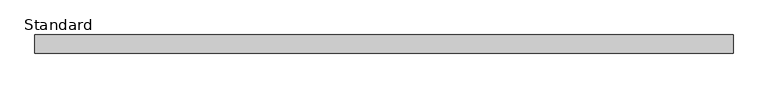
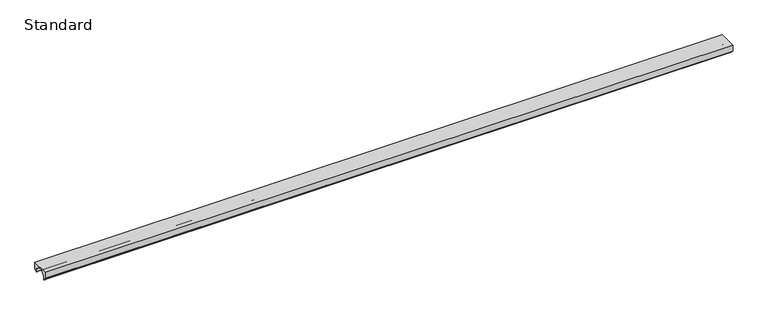
"""IFC4 building model written with IfcOpenShell, lengths in millimetres: plate geometry, Standard."""

from ifc_helpers import new_model, si_unit, point, frame, frame_2d, origin, place, context, project, spatial, polyline, circle_curve, trimmed, segment, composite_curve, outline, extrude, source, transform, mapped, element, save


def standard_468d35f8(model_context):
    return source(origin(), model_context, "Body", "SweptSolid", [
        extrude(outline(composite_curve([segment(polyline([(39.000026, 11.4535546), (34.6464725, 7.1000005), (29.750026, 7.1000005), (29.750026, 0.4500001)]), True, "CONTINUOUS"), segment(trimmed(circle_curve(frame_2d((29.3000259, 0.4500001)), 0.4500001), [point((29.750026, 0.4500001))], [point((28.8500259, 0.4500001))], False, "CARTESIAN"), True, "CONTINUOUS"), segment(polyline([(28.8500259, 0.4500001), (28.8500259, 14.2964387), (8.033272, 35.1131925), (-4.613175, 35.1131925), (-4.613175, 35.9131925), (-7.683272, 35.9131925), (-28.850026, 14.7464386), (-28.850026, 0.45)]), True, "CONTINUOUS"), segment(trimmed(circle_curve(frame_2d((-29.300026, 0.45)), 0.45), [point((-28.850026, 0.45))], [point((-29.750026, 0.45))], False, "CARTESIAN"), True, "CONTINUOUS"), segment(polyline([(-29.750026, 0.45), (-29.750026, 7.5529742), (-34.6494456, 7.5529742), (-39.000002, 11.90353), (-39.000002, 38.85), (39.000026, 38.85), (39.000026, 11.4535546)]), True, "CONTINUOUS")], self_intersect=False)), frame((-1500.0, 0.0, 0.0), z_axis=(1.0, 0.0, 0.0), x_axis=(0.0, 1.0, 0.0)), (0.0, 0.0, 1.0), 3000.0),
    ])


if __name__ == "__main__":
    model = new_model("IFC4")
    model_context = context("Model", 3, world=origin())
    ifc_project = project(units=[si_unit("LENGTHUNIT", "METRE", prefix="MILLI")], contexts=[model_context])
    site = spatial("IfcSite", under=ifc_project)
    building = spatial("IfcBuilding", under=site)
    placement = place(None, origin())
    standard_shape = standard_468d35f8(model_context)
    element("IfcPlate", 1, ObjectType="Standard", at=placement, inside=building, context=model_context, shape_type="MappedRepresentation", body=[
        mapped(standard_shape, transform((0.0, 0.0, 0.0), x_axis=(1.0, 0.0, 0.0), y_axis=(0.0, 1.0, 0.0), z_axis=(0.0, 0.0, 1.0))),
    ])
    save(model, "model.ifc")
